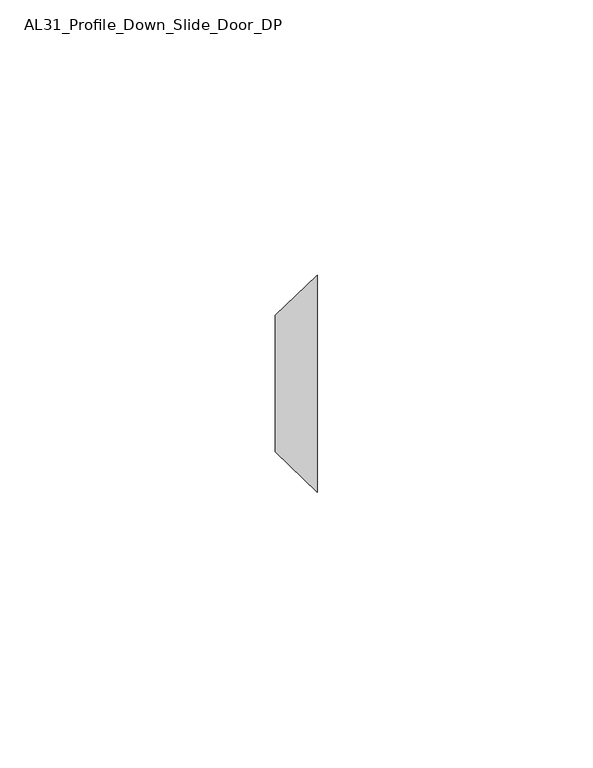
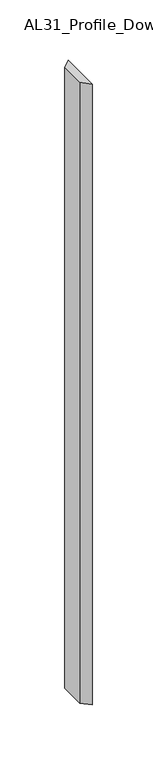
"""IFC4 building model written with IfcOpenShell, lengths in millimetres: member geometry, AL31_Profile_Down_Slide_Door_DP."""

from ifc_helpers import new_model, si_unit, frame, origin, place, context, project, spatial, polyline, outline, extrude, source, transform, mapped, element, save


def al31_profile_down_slide_door_dp_15fc0e33(model_context):
    return source(origin(), model_context, "Body", "SweptSolid", [
        extrude(outline(polyline([(-7.6107048, -13.0548232), (0.0, -5.7722941), (0.0, -45.1097059), (-7.6107048, -37.8271768), (-7.6107048, -13.0548232)])), frame((0.0, 0.0, -626.5594583), z_axis=(0.0, 0.0, 1.0), x_axis=(1.0, 0.0, 0.0)), (0.0, 0.0, 1.0), 626.5594583),
    ])


if __name__ == "__main__":
    model = new_model("IFC4")
    model_context = context("Model", 3, world=origin())
    ifc_project = project(units=[si_unit("LENGTHUNIT", "METRE", prefix="MILLI")], contexts=[model_context])
    site = spatial("IfcSite", under=ifc_project)
    building = spatial("IfcBuilding", under=site)
    placement = place(None, origin())
    al31_profile_down_slide_door_dp_shape = al31_profile_down_slide_door_dp_15fc0e33(model_context)
    element("IfcMember", 1, ObjectType="AL31_Profile_Down_Slide_Door_DP", at=placement, inside=building, context=model_context, shape_type="MappedRepresentation", body=[
        mapped(al31_profile_down_slide_door_dp_shape, transform((0.0, 0.0, 0.0), x_axis=(1.0, 0.0, 0.0), y_axis=(0.0, 1.0, 0.0), z_axis=(0.0, 0.0, 1.0))),
    ])
    save(model, "model.ifc")
